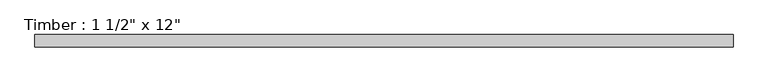
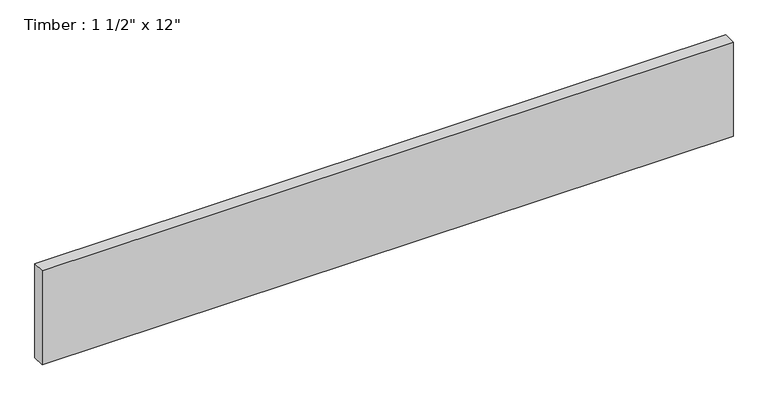
"""IFC4 building model written with IfcOpenShell, lengths in millimetres: beam geometry."""

from ifc_helpers import new_model, si_unit, frame, origin, place, context, project, spatial, polyline, outline, extrude, source, transform, mapped, element, save


def beam_09e1751f(model_context):
    return source(origin(), model_context, "Body", "SweptSolid", [
        extrude(outline(polyline([(1059.0288119, 19.05), (1059.0288119, -19.05), (-1059.0288119, -19.05), (-1059.0288119, 19.05), (1059.0288119, 19.05)])), frame((0.0, 0.0, -152.4), z_axis=(0.0, 0.0, 1.0), x_axis=(1.0, 0.0, 0.0)), (0.0, 0.0, 1.0), 304.8),
    ])


if __name__ == "__main__":
    model = new_model("IFC4")
    model_context = context("Model", 3, world=origin())
    ifc_project = project(units=[si_unit("LENGTHUNIT", "METRE", prefix="MILLI")], contexts=[model_context])
    site = spatial("IfcSite", under=ifc_project)
    building = spatial("IfcBuilding", under=site)
    placement = place(None, origin())
    beam_shape = beam_09e1751f(model_context)
    element("IfcBeam", 1, ObjectType="Timber : 1 1/2\" x 12\"", at=placement, inside=building, context=model_context, shape_type="MappedRepresentation", body=[
        mapped(beam_shape, transform((0.0, 0.0, 0.0), x_axis=(1.0, 0.0, 0.0), y_axis=(0.0, 1.0, 0.0), z_axis=(0.0, 0.0, 1.0))),
    ])
    save(model, "model.ifc")
